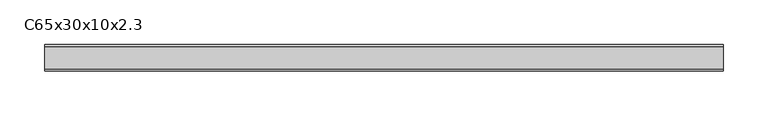
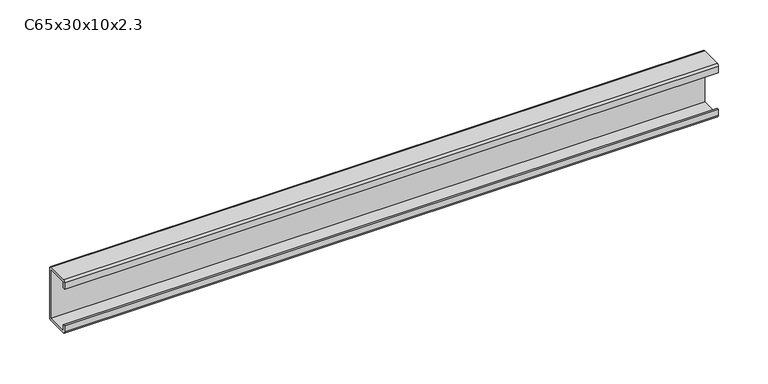
"""IFC4 building model written with IfcOpenShell, lengths in millimetres: proxy geometry, C65x30x10x2.3."""

from ifc_helpers import new_model, si_unit, point, frame, frame_2d, origin, place, context, project, spatial, polyline, circle_curve, trimmed, segment, composite_curve, outline, extrude, source, transform, mapped, element, save


def c65x30x10x2_3_23ad3cc9(model_context):
    return source(origin(), model_context, "Body", "SweptSolid", [
        extrude(outline(composite_curve([segment(polyline([(-15.0, -10.0), (-15.0, -2.3)]), True, "CONTINUOUS"), segment(trimmed(circle_curve(frame_2d((-12.7, -2.3)), 2.3), [point((-15.0, -2.3))], [point((-12.7, 0.0))], False, "CARTESIAN"), True, "CONTINUOUS"), segment(polyline([(-12.7, 0.0), (12.7, 0.0)]), True, "CONTINUOUS"), segment(trimmed(circle_curve(frame_2d((12.7, -2.3)), 2.3), [point((12.7, 0.0))], [point((15.0, -2.3))], False, "CARTESIAN"), True, "CONTINUOUS"), segment(polyline([(15.0, -2.3), (15.0, -62.7)]), True, "CONTINUOUS"), segment(trimmed(circle_curve(frame_2d((12.7, -62.7)), 2.3), [point((15.0, -62.7))], [point((12.7, -65.0))], False, "CARTESIAN"), True, "CONTINUOUS"), segment(polyline([(12.7, -65.0), (-12.7, -65.0)]), True, "CONTINUOUS"), segment(trimmed(circle_curve(frame_2d((-12.7, -62.7)), 2.3), [point((-12.7, -65.0))], [point((-15.0, -62.7))], False, "CARTESIAN"), True, "CONTINUOUS"), segment(polyline([(-15.0, -62.7), (-15.0, -55.0), (-12.7, -55.0), (-12.7, -62.7), (12.7, -62.7), (12.7, -2.3), (-12.7, -2.3), (-12.7, -10.0), (-15.0, -10.0)]), True, "CONTINUOUS")], self_intersect=False)), frame((0.0, 0.0, 0.0), z_axis=(1.0, 0.0, 0.0), x_axis=(0.0, 1.0, 0.0)), (0.0, 0.0, 1.0), 760.0),
    ])


if __name__ == "__main__":
    model = new_model("IFC4")
    model_context = context("Model", 3, world=origin())
    ifc_project = project(units=[si_unit("LENGTHUNIT", "METRE", prefix="MILLI")], contexts=[model_context])
    site = spatial("IfcSite", under=ifc_project)
    building = spatial("IfcBuilding", under=site)
    placement = place(None, origin())
    c65x30x10x2_3_shape = c65x30x10x2_3_23ad3cc9(model_context)
    element("IfcBuildingElementProxy", 1, Name="C65x30x10x2.3", ObjectType="C65x30x10x2.3", at=placement, inside=building, context=model_context, shape_type="MappedRepresentation", body=[
        mapped(c65x30x10x2_3_shape, transform((0.0, 0.0, 0.0), x_axis=(1.0, 0.0, 0.0), y_axis=(0.0, 1.0, 0.0), z_axis=(0.0, 0.0, 1.0))),
    ])
    save(model, "model.ifc")
